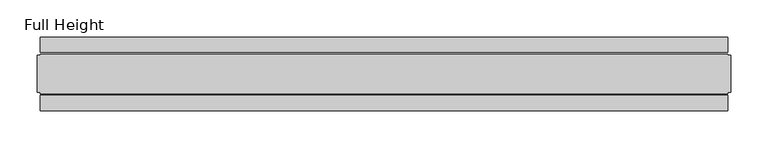
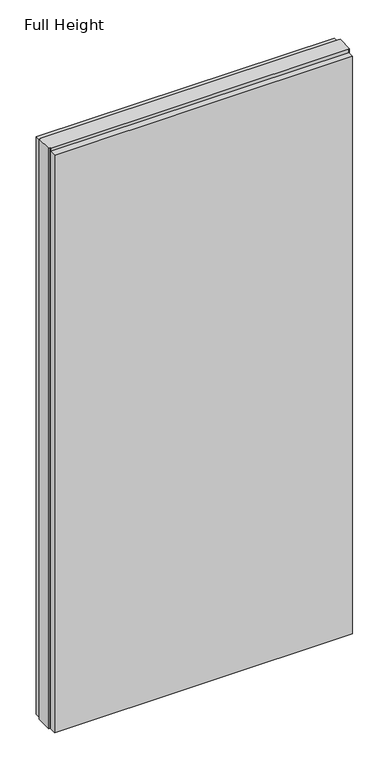
"""IFC4 building model written with IfcOpenShell, lengths in millimetres: plate geometry, Full Height."""

from ifc_helpers import new_model, si_unit, origin, origin_with_axes, place, context, project, spatial, polyline, outline, extrude, source, transform, mapped, element, save


def full_height_1a378bcb(model_context):
    return source(origin(), model_context, "Body", "SweptSolid", [
        extrude(outline(polyline([(463.0737966, -28.956), (463.0737966, -49.53), (-463.0737966, -49.53), (-463.0737966, -28.956), (463.0737966, -28.956)])), origin_with_axes(), (0.0, 0.0, 1.0), 1895.856),
        extrude(outline(polyline([(463.0737966, 28.956), (-463.0737966, 28.956), (-463.0737966, 49.53), (463.0737966, 49.53), (463.0737966, 28.956)])), origin_with_axes(), (0.0, 0.0, 1.0), 1895.856),
        extrude(outline(polyline([(463.0737966, 25.146), (467.6457966, 25.146), (467.6457966, -25.146), (463.0737966, -25.146), (463.0737966, -26.67), (-463.0737966, -26.67), (-463.0737966, -25.146), (-467.6457966, -25.146), (-467.6457966, 25.146), (-463.0737966, 25.146), (-463.0737966, 26.67), (463.0737966, 26.67), (463.0737966, 25.146)])), origin_with_axes(), (0.0, 0.0, 1.0), 1905.0),
    ])


if __name__ == "__main__":
    model = new_model("IFC4")
    model_context = context("Model", 3, world=origin())
    ifc_project = project(units=[si_unit("LENGTHUNIT", "METRE", prefix="MILLI")], contexts=[model_context])
    site = spatial("IfcSite", under=ifc_project)
    building = spatial("IfcBuilding", under=site)
    placement = place(None, origin())
    full_height_shape = full_height_1a378bcb(model_context)
    element("IfcPlate", 1, ObjectType="Full Height", at=placement, inside=building, context=model_context, shape_type="MappedRepresentation", body=[
        mapped(full_height_shape, transform((0.0, 0.0, 0.0), x_axis=(1.0, 0.0, 0.0), y_axis=(0.0, 1.0, 0.0), z_axis=(0.0, 0.0, 1.0))),
    ])
    save(model, "model.ifc")
